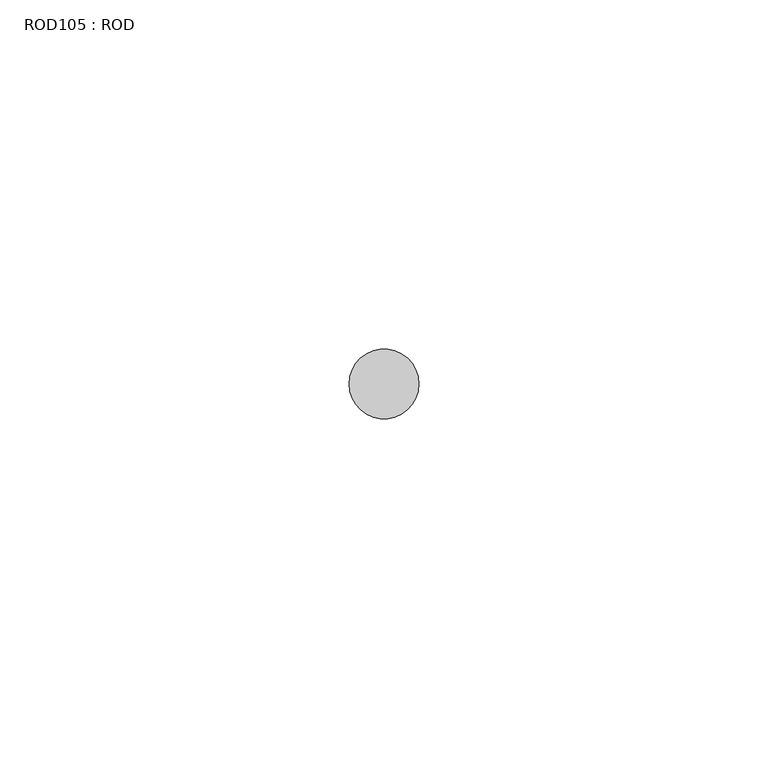
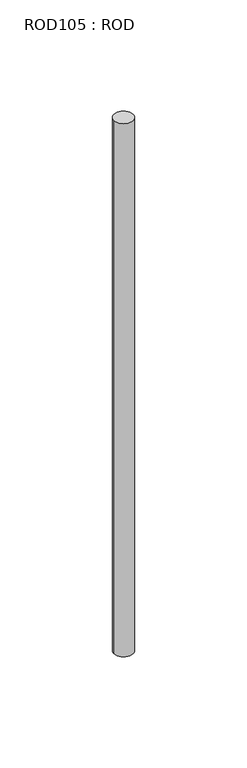
"""IFC4 building model written with IfcOpenShell, lengths in millimetres: proxy geometry, ROD105 : ROD."""

from ifc_helpers import new_model, si_unit, point, frame, frame_2d, origin, place, context, project, spatial, circle_curve, trimmed, segment, composite_curve, outline, extrude, source, transform, mapped, element, save


def rod105_rod_27cdcbd1(model_context):
    return source(origin(), model_context, "Body", "SweptSolid", [
        extrude(outline(composite_curve([segment(trimmed(circle_curve(frame_2d((-5000.2326676, -14542.0031593)), 5.0), [point((-5005.2326676, -14542.0031593))], [point((-4995.2326676, -14542.0031593))], False, "CARTESIAN"), True, "CONTINUOUS"), segment(trimmed(circle_curve(frame_2d((-5000.2326676, -14542.0031593)), 5.0), [point((-4995.2326676, -14542.0031593))], [point((-5005.2326676, -14542.0031593))], False, "CARTESIAN"), True, "CONTINUOUS")], self_intersect=False)), frame((0.0, 0.0, -108.6608845), z_axis=(0.0, 0.0, 1.0), x_axis=(1.0, 0.0, 0.0)), (0.0, 0.0, 1.0), 298.9028972),
    ])


if __name__ == "__main__":
    model = new_model("IFC4")
    model_context = context("Model", 3, world=origin())
    ifc_project = project(units=[si_unit("LENGTHUNIT", "METRE", prefix="MILLI")], contexts=[model_context])
    site = spatial("IfcSite", under=ifc_project)
    building = spatial("IfcBuilding", under=site)
    placement = place(None, origin())
    rod105_rod_shape = rod105_rod_27cdcbd1(model_context)
    element("IfcBuildingElementProxy", 1, Name="ROD105 : ROD", ObjectType="ROD105 : ROD", at=placement, inside=building, context=model_context, shape_type="MappedRepresentation", body=[
        mapped(rod105_rod_shape, transform((0.0, 0.0, 0.0), x_axis=(1.0, 0.0, 0.0), y_axis=(0.0, 1.0, 0.0), z_axis=(0.0, 0.0, 1.0))),
    ])
    save(model, "model.ifc")
